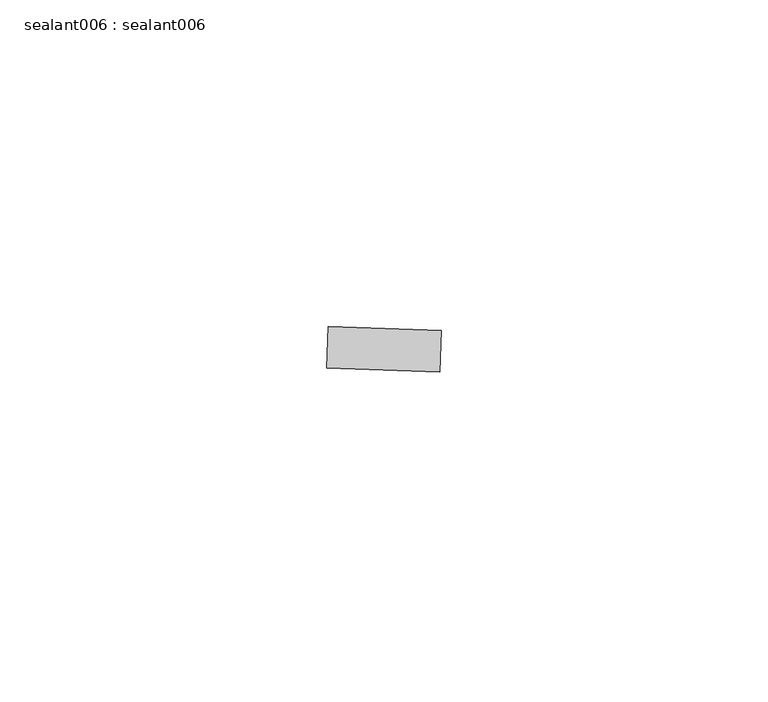
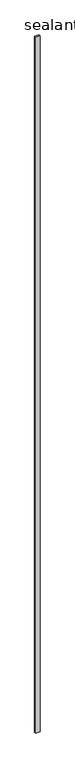
"""IFC4 building model written with IfcOpenShell, lengths in millimetres: proxy geometry, sealant006 : sealant006."""

from ifc_helpers import new_model, si_unit, frame, origin, place, context, project, spatial, polyline, outline, extrude, source, transform, mapped, element, save


def sealant006_sealant006_908ca8c6(model_context):
    return source(origin(), model_context, "Body", "SweptSolid", [
        extrude(outline(polyline([(18242.6751787, -14855.1074312), (18259.9989032, -14855.7162574), (18259.7762306, -14862.0522492), (18242.4525062, -14861.443423), (18242.6751787, -14855.1074312)])), frame((0.0, 0.0, 73.975708), z_axis=(0.0, 0.0, 1.0), x_axis=(1.0, 0.0, 0.0)), (0.0, 0.0, 1.0), 2959.11),
    ])


if __name__ == "__main__":
    model = new_model("IFC4")
    model_context = context("Model", 3, world=origin())
    ifc_project = project(units=[si_unit("LENGTHUNIT", "METRE", prefix="MILLI")], contexts=[model_context])
    site = spatial("IfcSite", under=ifc_project)
    building = spatial("IfcBuilding", under=site)
    placement = place(None, origin())
    sealant006_sealant006_shape = sealant006_sealant006_908ca8c6(model_context)
    element("IfcBuildingElementProxy", 1, Name="sealant006 : sealant006", ObjectType="sealant006 : sealant006", at=placement, inside=building, context=model_context, shape_type="MappedRepresentation", body=[
        mapped(sealant006_sealant006_shape, transform((0.0, 0.0, 0.0), x_axis=(1.0, 0.0, 0.0), y_axis=(0.0, 1.0, 0.0), z_axis=(0.0, 0.0, 1.0))),
    ])
    save(model, "model.ifc")
